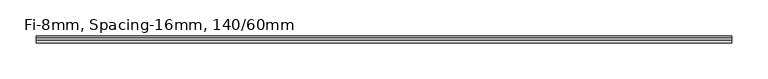
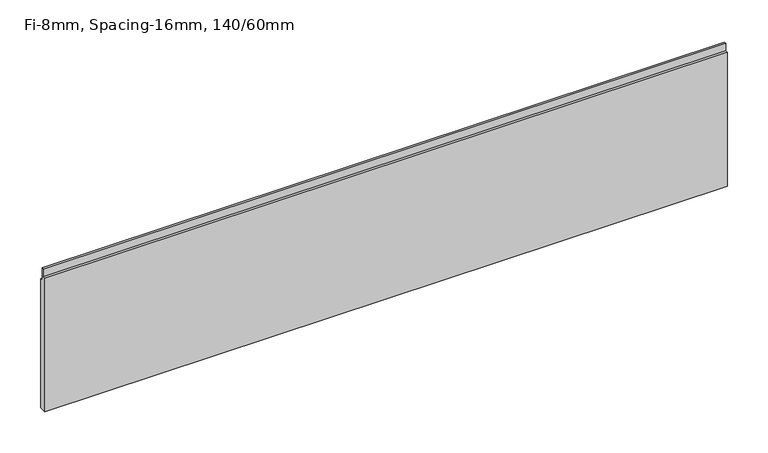
"""IFC4 building model written with IfcOpenShell, lengths in millimetres: plate geometry, Fi-8mm, Spacing-16mm, 140/60mm."""

from ifc_helpers import new_model, si_unit, frame, origin, place, context, project, spatial, polyline, outline, extrude, source, transform, mapped, element, save


def fi_8mm_spacing_16mm_140_60mm_70df0883(model_context):
    return source(origin(), model_context, "Body", "SweptSolid", [
        extrude(outline(polyline([(5.0, 0.0), (-5.0, 0.0), (-5.0, 200.0), (-1.0, 200.0), (-1.0, 211.0), (2.0, 211.0), (2.0, 193.0), (5.0, 193.0), (5.0, 0.0)])), frame((-482.25, 0.0, 0.0), z_axis=(1.0, 0.0, 0.0), x_axis=(0.0, 1.0, 0.0)), (0.0, 0.0, 1.0), 964.5),
    ])


if __name__ == "__main__":
    model = new_model("IFC4")
    model_context = context("Model", 3, world=origin())
    ifc_project = project(units=[si_unit("LENGTHUNIT", "METRE", prefix="MILLI")], contexts=[model_context])
    site = spatial("IfcSite", under=ifc_project)
    building = spatial("IfcBuilding", under=site)
    placement = place(None, origin())
    fi_8mm_spacing_16mm_140_60mm_shape = fi_8mm_spacing_16mm_140_60mm_70df0883(model_context)
    element("IfcPlate", 1, ObjectType="Fi-8mm, Spacing-16mm, 140/60mm", at=placement, inside=building, context=model_context, shape_type="MappedRepresentation", body=[
        mapped(fi_8mm_spacing_16mm_140_60mm_shape, transform((0.0, 0.0, 0.0), x_axis=(1.0, 0.0, 0.0), y_axis=(0.0, 1.0, 0.0), z_axis=(0.0, 0.0, 1.0))),
    ])
    save(model, "model.ifc")
